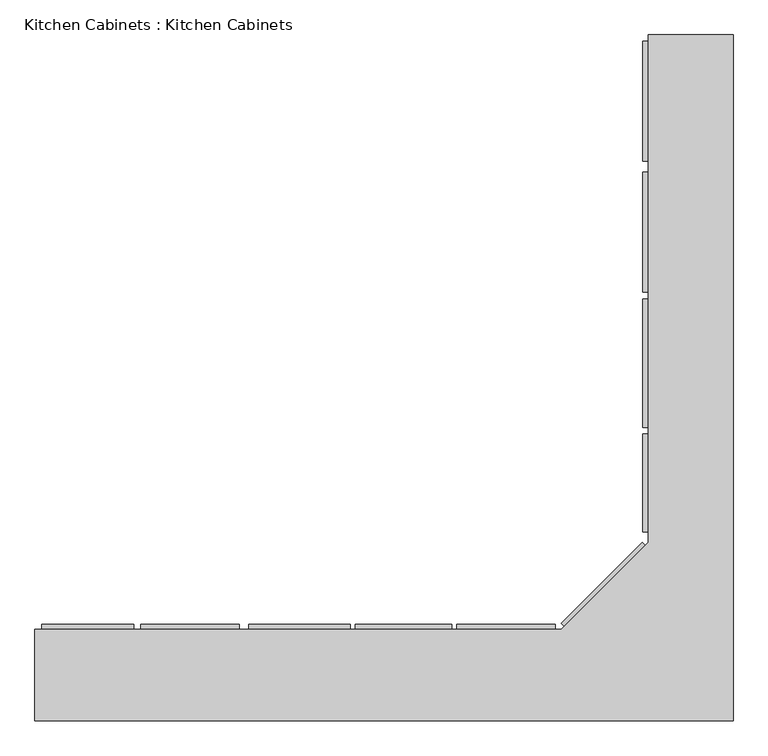
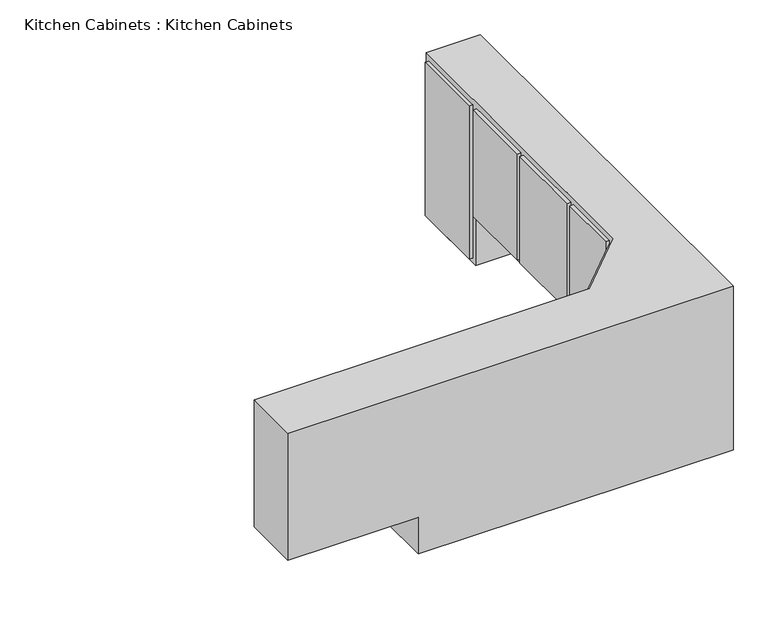
"""IFC4 building model written with IfcOpenShell, lengths in millimetres: furniture geometry, Kitchen Cabinets : Kitchen Cabinets."""

from ifc_helpers import new_model, si_unit, frame, origin, place, context, project, spatial, polyline, outline, extrude, faceted_brep, source, transform, mapped, element, save


def kitchen_cabinets_kitchen_cabinets_89d45670(model_context):
    return source(origin(), model_context, "Body", "SolidModel", [
        extrude(outline(polyline([(887.3694435, -4338.2681015), (887.3694435, -3906.4681015), (908.1856834, -3906.4681015), (908.1856834, -4338.2681015), (887.3694435, -4338.2681015)])), frame((0.0, 0.0, 1415.2205625), z_axis=(0.0, 0.0, 1.0), x_axis=(1.0, 0.0, 0.0)), (0.0, 0.0, 1.0), 914.4),
        extrude(outline(polyline([(887.3694435, -4809.3524579), (887.3694435, -4377.5524579), (908.1856834, -4377.5524579), (908.1856834, -4809.3524579), (887.3694435, -4809.3524579)])), frame((0.0, 0.0, 1694.6205625), z_axis=(0.0, 0.0, 1.0), x_axis=(1.0, 0.0, 0.0)), (0.0, 0.0, 1.0), 635.0),
        extrude(outline(polyline([(887.3694435, -5298.1151328), (887.3694435, -4835.0275473), (908.1856834, -4835.0275473), (908.1856834, -5298.1151328), (887.3694435, -5298.1151328)])), frame((0.0, 0.0, 1694.6205625), z_axis=(0.0, 0.0, 1.0), x_axis=(1.0, 0.0, 0.0)), (0.0, 0.0, 1.0), 635.0),
        extrude(outline(polyline([(887.3694435, -5673.9905631), (887.3694435, -5321.8979635), (908.1856834, -5321.8979635), (908.1856834, -5673.9905631), (887.3694435, -5673.9905631)])), frame((0.0, 0.0, 1415.2205625), z_axis=(0.0, 0.0, 1.0), x_axis=(1.0, 0.0, 0.0)), (0.0, 0.0, 1.0), 914.4),
        extrude(outline(polyline([(593.8078689, -6003.2727722), (885.6661928, -5711.4144482), (896.9938169, -5722.7420724), (605.135493, -6014.6003963), (593.8078689, -6003.2727722)])), frame((0.0, 0.0, 1399.0638012), z_axis=(0.0, 0.0, 1.0), x_axis=(1.0, 0.0, 0.0)), (0.0, 0.0, 1.0), 939.8),
        extrude(outline(polyline([(217.6071711, -6007.4837716), (573.2071711, -6007.4837716), (573.2071711, -6025.8591702), (217.6071711, -6025.8591702), (217.6071711, -6007.4837716)])), frame((0.0, 0.0, 1401.4407332), z_axis=(0.0, 0.0, 1.0), x_axis=(1.0, 0.0, 0.0)), (0.0, 0.0, 1.0), 939.8),
        extrude(outline(polyline([(-147.7687201, -6007.4837716), (200.4075583, -6007.4837716), (200.4075583, -6025.8591702), (-147.7687201, -6025.8591702), (-147.7687201, -6007.4837716)])), frame((0.0, 0.0, 1401.4407332), z_axis=(0.0, 0.0, 1.0), x_axis=(1.0, 0.0, 0.0)), (0.0, 0.0, 1.0), 939.8),
        extrude(outline(polyline([(-532.0882191, -6007.4837716), (-165.3416023, -6007.4837716), (-165.3416023, -6025.8591702), (-532.0882191, -6025.8591702), (-532.0882191, -6007.4837716)])), frame((0.0, 0.0, 1401.4407332), z_axis=(0.0, 0.0, 1.0), x_axis=(1.0, 0.0, 0.0)), (0.0, 0.0, 1.0), 939.8),
        extrude(outline(polyline([(-920.9538811, -6007.4837716), (-565.3538811, -6007.4837716), (-565.3538811, -6025.8591702), (-920.9538811, -6025.8591702), (-920.9538811, -6007.4837716)])), frame((0.0, 0.0, 1618.0753661), z_axis=(0.0, 0.0, 1.0), x_axis=(1.0, 0.0, 0.0)), (0.0, 0.0, 1.0), 723.9),
        extrude(outline(polyline([(-1276.5538811, -6007.4837716), (-946.3538811, -6007.4837716), (-946.3538811, -6025.8591702), (-1276.5538811, -6025.8591702), (-1276.5538811, -6007.4837716)])), frame((0.0, 0.0, 1618.0753661), z_axis=(0.0, 0.0, 1.0), x_axis=(1.0, 0.0, 0.0)), (0.0, 0.0, 1.0), 723.9),
        faceted_brep([(908.1856834, -3882.7502059, 2364.9907858), (908.1856834, -5711.5502059, 2364.9907858), (593.8767191, -6025.8591702, 2364.9907858), (-1301.9538811, -6025.8591702, 2364.9907858), (-1301.9538811, -6355.2340645, 2364.9907858), (1212.9856834, -6355.2340645, 2364.9907858), (1212.9856834, -3882.7502059, 2364.9907858), (908.1856834, -3882.7502059, 1385.8923406), (1212.9856834, -3882.7502059, 1385.8923406), (1212.9856834, -4364.3045244, 1385.8923406), (908.1856834, -4364.3045244, 1385.8923406), (593.8767191, -6025.8591702, 1385.8923406), (908.1856834, -5711.5502059, 1385.8923406), (908.1856834, -5304.1045244, 1385.8923406), (1212.9856834, -5304.1045244, 1385.8923406), (1212.9856834, -6355.2340645, 1385.8923406), (-565.3538811, -6355.2340645, 1385.8923406), (-565.3538811, -6025.8591702, 1385.8923406), (908.1856834, -4364.3045244, 1665.2923406), (908.1856834, -5304.1045244, 1665.2923406), (-565.3538811, -6025.8591702, 1605.3753661), (-1301.9538811, -6025.8591702, 1605.3753661), (-1301.9538811, -6355.2340645, 1605.3753661), (-565.3538811, -6355.2340645, 1605.3753661), (1212.9856834, -5304.1045244, 1665.2923406), (1212.9856834, -4364.3045244, 1665.2923406)], [[[0, 1, 2, 3, 4, 5, 6]], [[7, 8, 9, 10]], [[11, 12, 13, 14, 15, 16, 17]], [[1, 0, 7, 10, 18, 19, 13, 12]], [[2, 1, 12, 11]], [[3, 2, 11, 17, 20, 21]], [[4, 3, 21, 22]], [[5, 4, 22, 23, 16, 15]], [[6, 5, 15, 14, 24, 25, 9, 8]], [[0, 6, 8, 7]], [[23, 20, 17, 16]], [[20, 23, 22, 21]], [[25, 18, 10, 9]], [[18, 25, 24, 19]], [[19, 24, 14, 13]]]),
    ])


if __name__ == "__main__":
    model = new_model("IFC4")
    model_context = context("Model", 3, world=origin())
    ifc_project = project(units=[si_unit("LENGTHUNIT", "METRE", prefix="MILLI")], contexts=[model_context])
    site = spatial("IfcSite", under=ifc_project)
    building = spatial("IfcBuilding", under=site)
    placement = place(None, origin())
    kitchen_cabinets_kitchen_cabinets_shape = kitchen_cabinets_kitchen_cabinets_89d45670(model_context)
    element("IfcFurniture", 1, ObjectType="Kitchen Cabinets : Kitchen Cabinets", at=placement, inside=building, context=model_context, shape_type="MappedRepresentation", body=[
        mapped(kitchen_cabinets_kitchen_cabinets_shape, transform((0.0, 0.0, 0.0), x_axis=(1.0, 0.0, 0.0), y_axis=(0.0, 1.0, 0.0), z_axis=(0.0, 0.0, 1.0))),
    ])
    save(model, "model.ifc")
